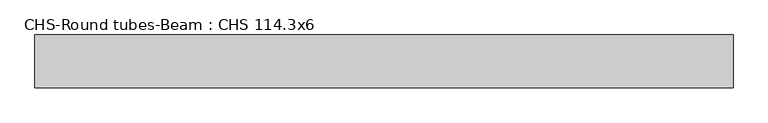
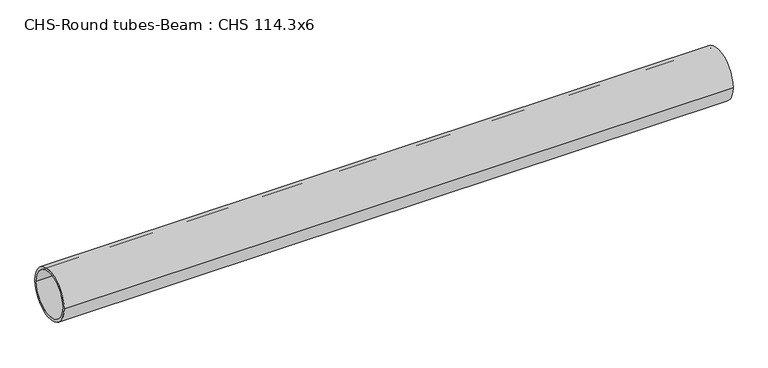
"""IFC4 building model written with IfcOpenShell, lengths in millimetres: beam geometry, CHS-Round tubes-Beam : CHS 114.3x6."""

from ifc_helpers import new_model, si_unit, point, frame, origin, origin_2d, place, context, project, spatial, circle_curve, trimmed, segment, composite_curve, outline, extrude, source, transform, mapped, element, save


def chs_round_tubes_beam_chs_114_3x6_d664c689(model_context):
    return source(origin(), model_context, "Body", "SweptSolid", [
        extrude(outline(composite_curve([segment(trimmed(circle_curve(origin_2d(), 57.15), [point((57.15, 0.0))], [point((-57.15, 0.0))], False, "CARTESIAN"), True, "CONTINUOUS"), segment(trimmed(circle_curve(origin_2d(), 57.15), [point((-57.15, 0.0))], [point((57.15, 0.0))], False, "CARTESIAN"), True, "CONTINUOUS")], self_intersect=False), holes=[composite_curve([segment(trimmed(circle_curve(origin_2d(), 51.15), [point((51.15, 0.0))], [point((-51.15, 0.0))], True, "CARTESIAN"), True, "CONTINUOUS"), segment(trimmed(circle_curve(origin_2d(), 51.15), [point((-51.15, 0.0))], [point((51.15, 0.0))], True, "CARTESIAN"), True, "CONTINUOUS")], self_intersect=False)]), frame((-747.3816216, 0.0, 0.0), z_axis=(1.0, 0.0, 0.0), x_axis=(0.0, 1.0, 0.0)), (0.0, 0.0, 1.0), 1512.7301197),
    ])


if __name__ == "__main__":
    model = new_model("IFC4")
    model_context = context("Model", 3, world=origin())
    ifc_project = project(units=[si_unit("LENGTHUNIT", "METRE", prefix="MILLI")], contexts=[model_context])
    site = spatial("IfcSite", under=ifc_project)
    building = spatial("IfcBuilding", under=site)
    placement = place(None, origin())
    chs_round_tubes_beam_chs_114_3x6_shape = chs_round_tubes_beam_chs_114_3x6_d664c689(model_context)
    element("IfcBeam", 1, ObjectType="CHS-Round tubes-Beam : CHS 114.3x6", at=placement, inside=building, context=model_context, shape_type="MappedRepresentation", body=[
        mapped(chs_round_tubes_beam_chs_114_3x6_shape, transform((0.0, 0.0, 0.0), x_axis=(1.0, 0.0, 0.0), y_axis=(0.0, 1.0, 0.0), z_axis=(0.0, 0.0, 1.0))),
    ])
    save(model, "model.ifc")
